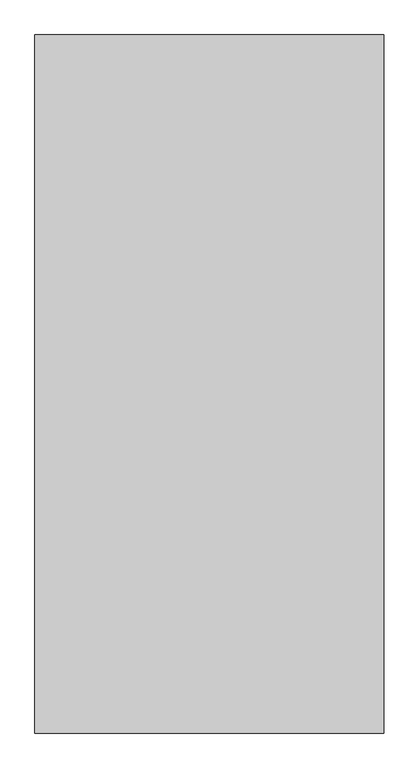
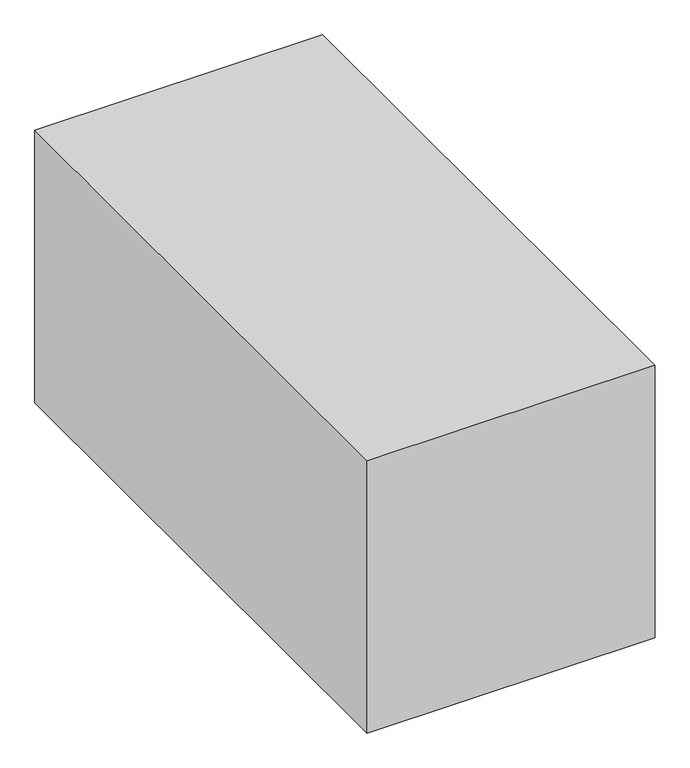
"""IFC4 building model written with IfcOpenShell, lengths in millimetres: proxy geometry."""

from ifc_helpers import new_model, si_unit, frame, origin, place, context, project, spatial, polyline, outline, extrude, source, transform, mapped, element, save


def generic_models_05621070(model_context):
    return source(origin(), model_context, "Body", "SweptSolid", [
        extrude(outline(polyline([(3000.0, 6000.0), (3000.0, 0.0), (0.0, 0.0), (0.0, 6000.0), (3000.0, 6000.0)])), frame((0.0, 0.0, 4500.0), z_axis=(0.0, 0.0, 1.0), x_axis=(1.0, 0.0, 0.0)), (0.0, 0.0, 1.0), 3000.0),
    ])


if __name__ == "__main__":
    model = new_model("IFC4")
    model_context = context("Model", 3, world=origin())
    ifc_project = project(units=[si_unit("LENGTHUNIT", "METRE", prefix="MILLI")], contexts=[model_context])
    site = spatial("IfcSite", under=ifc_project)
    building = spatial("IfcBuilding", under=site)
    placement = place(None, origin())
    generic_models_shape = generic_models_05621070(model_context)
    element("IfcBuildingElementProxy", 1, Name="Generic Models", at=placement, inside=building, context=model_context, shape_type="MappedRepresentation", body=[
        mapped(generic_models_shape, transform((0.0, 0.0, 0.0), x_axis=(1.0, 0.0, 0.0), y_axis=(0.0, 1.0, 0.0), z_axis=(0.0, 0.0, 1.0))),
    ])
    save(model, "model.ifc")
